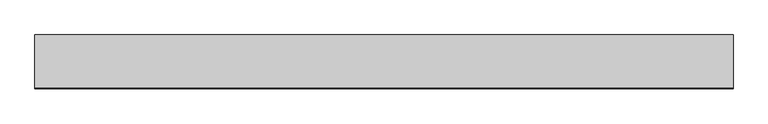
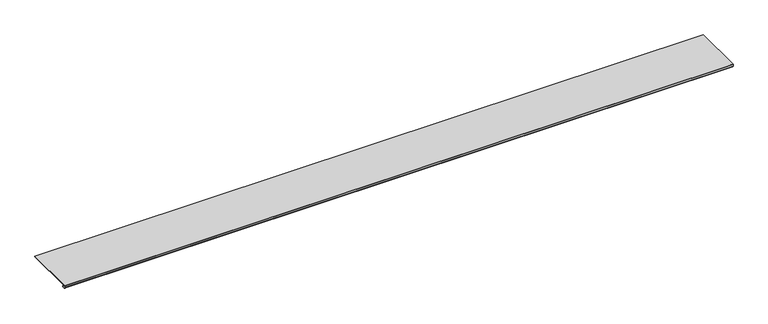
"""IFC4 building model written with IfcOpenShell, lengths in millimetres: proxy geometry."""

import ifcopenshell
import ifcopenshell.guid

model = None  # the IFC model being written
_history = None  # IfcOwnerHistory: only IFC2X3 demands one
_inside = {}  # id of a spatial element -> (the spatial element, [elements in it])
_under = {}  # id of a project, library or spatial element -> (it, [spatial elements below it])
_declared = {}  # id of a project -> (the project, [libraries it declares])
_typed = {}  # id of a type object -> (the type object, [elements of that type])
_made_of = {}  # id of a material, layer set ... -> (it, [elements and type objects made of it])


def new_model(schema):
    """Start an empty IFC model of exactly this schema.

    Asked for "IFC4X3", IfcOpenShell would pick the latest addendum, in which some entities
    have other attributes; the version numbers below select the first issue.
    IFC2X3 requires an IfcOwnerHistory on every rooted entity: one is made here for all.
    """
    global model, _history
    if schema == "IFC4X3":
        model = ifcopenshell.file(schema_version=(4, 3, 0, 0))
    else:
        model = ifcopenshell.file(schema=schema)
    _inside.clear()
    _under.clear()
    _declared.clear()
    _typed.clear()
    _made_of.clear()
    _history = None
    if model.schema == "IFC2X3":
        org = make("IfcOrganization", Name="unknown")
        user = make(
            "IfcPersonAndOrganization",
            ThePerson=make("IfcPerson", FamilyName="unknown"),
            TheOrganization=org,
        )
        app = make(
            "IfcApplication",
            ApplicationDeveloper=org,
            Version="unknown",
            ApplicationFullName="unknown",
            ApplicationIdentifier="unknown",
        )
        _history = make(
            "IfcOwnerHistory",
            OwningUser=user,
            OwningApplication=app,
            ChangeAction="ADDED",
            CreationDate=0,
        )
    return model


def make(cls, **values):
    """One entity of the class cls with the attributes given. An attribute that is None is left unset."""
    return model.create_entity(
        cls, **{name: value for name, value in values.items() if value is not None}
    )


def rooted(cls, **values):
    """An entity with a GlobalId (a new one), such as an element, a storey or a relation."""
    return make(cls, GlobalId=ifcopenshell.guid.new(), OwnerHistory=_history, **values)


def si_unit(unit_type, name, prefix=None):
    """IfcSIUnit, for example si_unit("LENGTHUNIT", "METRE", prefix="MILLI")."""
    return make("IfcSIUnit", UnitType=unit_type, Prefix=prefix, Name=name)


def assignment(units):
    """IfcUnitAssignment: the units of a project."""
    return None if units is None else make("IfcUnitAssignment", Units=units)


def point(xyz):
    """IfcCartesianPoint."""
    return None if xyz is None else make("IfcCartesianPoint", Coordinates=xyz)


def direction(xyz):
    """IfcDirection."""
    return None if xyz is None else make("IfcDirection", DirectionRatios=xyz)


def frame(location, z_axis=None, x_axis=None):
    """IfcAxis2Placement3D, a coordinate frame: its origin and axes. An axis left out is left unset."""
    return make(
        "IfcAxis2Placement3D",
        Location=point(location),
        Axis=direction(z_axis),
        RefDirection=direction(x_axis),
    )


def frame_2d(location, x_axis=None):
    """IfcAxis2Placement2D, a coordinate frame in the plane: its origin and x axis."""
    return make(
        "IfcAxis2Placement2D", Location=point(location), RefDirection=direction(x_axis)
    )


def origin():
    """The frame at (0, 0, 0) with its axes left unset."""
    return frame((0.0, 0.0, 0.0))


def place(relative_to, where):
    """IfcLocalPlacement: puts the frame where relative to a parent placement (None: the world)."""
    return make(
        "IfcLocalPlacement", PlacementRelTo=relative_to, RelativePlacement=where
    )


def context(
    kind, dimensions, precision=None, world=None, true_north=None, identifier=None
):
    """IfcGeometricRepresentationContext, for example the 3D "Model" context."""
    return make(
        "IfcGeometricRepresentationContext",
        ContextIdentifier=identifier,
        ContextType=kind,
        CoordinateSpaceDimension=dimensions,
        Precision=precision,
        WorldCoordinateSystem=world,
        TrueNorth=true_north,
    )


def project(units=None, contexts=None):
    """IfcProject with its units and contexts."""
    return rooted(
        "IfcProject",
        Name="project",
        RepresentationContexts=contexts,
        UnitsInContext=assignment(units),
    )


def spatial(cls, under=None, at=None, **own):
    """A site, building, storey or space (cls), placed at a placement, below another one or the project."""
    s = rooted(cls, ObjectPlacement=at, **own)
    if under is not None:
        _under.setdefault(under.id(), (under, []))[1].append(s)
    return s


def polyline(points):
    """IfcPolyline through the points."""
    return make("IfcPolyline", Points=[point(p) for p in points])


def circle_curve(where, radius):
    """IfcCircle in the frame where."""
    return make("IfcCircle", Position=where, Radius=radius)


def trimmed(basis, trim1, trim2, sense, master):
    """IfcTrimmedCurve: the piece of a basis curve between two trims."""
    return make(
        "IfcTrimmedCurve",
        BasisCurve=basis,
        Trim1=trim1,
        Trim2=trim2,
        SenseAgreement=sense,
        MasterRepresentation=master,
    )


def segment(curve, same_sense, transition):
    """IfcCompositeCurveSegment."""
    return make(
        "IfcCompositeCurveSegment",
        Transition=transition,
        SameSense=same_sense,
        ParentCurve=curve,
    )


def composite_curve(segments, self_intersect=None):
    """IfcCompositeCurve: segments joined end to end."""
    return make("IfcCompositeCurve", Segments=segments, SelfIntersect=self_intersect)


def outline(outer, holes=None, kind="AREA"):
    """IfcArbitraryClosedProfileDef: a profile drawn as a closed curve; with holes, ...WithVoids."""
    if holes is None:
        return make("IfcArbitraryClosedProfileDef", ProfileType=kind, OuterCurve=outer)
    return make(
        "IfcArbitraryProfileDefWithVoids",
        ProfileType=kind,
        OuterCurve=outer,
        InnerCurves=holes,
    )


def extrude(swept, where, along, depth):
    """IfcExtrudedAreaSolid: the profile swept, set in the frame where, extruded along a direction by depth."""
    return make(
        "IfcExtrudedAreaSolid",
        SweptArea=swept,
        Position=where,
        ExtrudedDirection=direction(along),
        Depth=depth,
    )


def shape(context_of_items, identifier, shape_type, items):
    """IfcShapeRepresentation: the items that make up one representation, for example the "Body"."""
    return make(
        "IfcShapeRepresentation",
        ContextOfItems=context_of_items,
        RepresentationIdentifier=identifier,
        RepresentationType=shape_type,
        Items=items,
    )


def source(mapping_origin, context_of_items, identifier, shape_type, items):
    """IfcRepresentationMap: a shape defined once, which mapped items show again and again."""
    return make(
        "IfcRepresentationMap",
        MappingOrigin=mapping_origin,
        MappedRepresentation=shape(context_of_items, identifier, shape_type, items),
    )


def transform(
    local_origin,
    x_axis=None,
    y_axis=None,
    z_axis=None,
    scale=None,
    scale2=None,
    scale3=None,
    uniform=True,
):
    """IfcCartesianTransformationOperator3D, or its non-uniform kind. x_axis, y_axis, z_axis: its Axis1, 2, 3."""
    if uniform:
        return make(
            "IfcCartesianTransformationOperator3D",
            Axis1=direction(x_axis),
            Axis2=direction(y_axis),
            LocalOrigin=point(local_origin),
            Scale=scale,
            Axis3=direction(z_axis),
        )
    return make(
        "IfcCartesianTransformationOperator3DnonUniform",
        Axis1=direction(x_axis),
        Axis2=direction(y_axis),
        LocalOrigin=point(local_origin),
        Scale=scale,
        Axis3=direction(z_axis),
        Scale2=scale2,
        Scale3=scale3,
    )


def mapped(mapping_source, mapping_target):
    """IfcMappedItem: shows the shape of a source again, moved by a transform."""
    return make(
        "IfcMappedItem", MappingSource=mapping_source, MappingTarget=mapping_target
    )


def made_of(thing, what):
    """Note that an element or type object is made of a material, layer set ...; save() writes the relation."""
    if what is not None:
        _made_of.setdefault(what.id(), (what, []))[1].append(thing)
    return thing


def element(
    cls,
    number,
    at=None,
    inside=None,
    cuts=None,
    type_object=None,
    material=None,
    context=None,
    identifier="Body",
    shape_type=None,
    held_by="IfcProductDefinitionShape",
    body=None,
    shapes=None,
    **own,
):
    """One element of the class cls, such as IfcWall. Its Tag is "e" and its number.

    at: its placement. inside: the storey or other place that contains it. cuts: it is an
    opening in that element (IfcRelVoidsElement). A single representation is given by context,
    identifier, shape_type and body (its items); several are given by shapes. held_by: the class
    of the entity that holds the representations. save() writes the other relations.
    """
    e = rooted(cls, Tag="e%d" % number, ObjectPlacement=at, **own)
    if body is not None:
        shapes = [shape(context, identifier, shape_type, body)]
    if shapes is not None:
        e.Representation = make(held_by, Representations=shapes)
    if inside is not None:
        _inside.setdefault(inside.id(), (inside, []))[1].append(e)
    if cuts is not None:
        rooted(
            "IfcRelVoidsElement", RelatingBuildingElement=cuts, RelatedOpeningElement=e
        )
    if type_object is not None:
        _typed.setdefault(type_object.id(), (type_object, []))[1].append(e)
    return made_of(e, material)


def aggregate(whole, parts):
    """IfcRelAggregates: a whole, such as a stair, and the parts it consists of."""
    return rooted("IfcRelAggregates", RelatingObject=whole, RelatedObjects=parts)


def save(model, path):
    """Write the relations noted so far, then the file.

    IfcRelAggregates (storeys below a building ...), IfcRelContainedInSpatialStructure (elements
    in a storey), IfcRelDefinesByType, IfcRelAssociatesMaterial and IfcRelDeclares: one each for
    every whole, place, type object, material and project.
    """
    for whole, parts in _under.values():
        aggregate(whole, parts)
    for where, things in _inside.values():
        rooted(
            "IfcRelContainedInSpatialStructure",
            RelatedElements=things,
            RelatingStructure=where,
        )
    for kind, things in _typed.values():
        rooted("IfcRelDefinesByType", RelatedObjects=things, RelatingType=kind)
    for what, things in _made_of.values():
        rooted("IfcRelAssociatesMaterial", RelatedObjects=things, RelatingMaterial=what)
    for by, libraries in _declared.values():
        rooted("IfcRelDeclares", RelatingContext=by, RelatedDefinitions=libraries)
    model.write(path)


def generic_models_9e98045a(model_context):
    return source(origin(), model_context, "Body", "SweptSolid", [
        extrude(outline(composite_curve([segment(polyline([(139.7, 13.2537076), (139.7, 11.6837076), (2.2248214, 11.6837076)]), True, "CONTINUOUS"), segment(trimmed(circle_curve(frame_2d((2.2248214, 11.0887076)), 0.595), [point((2.2248214, 11.6837076))], [point((2.2248214, 10.4937076))], True, "CARTESIAN"), True, "CONTINUOUS"), segment(polyline([(2.2248214, 10.4937076), (3.6558496, 10.4937076), (4.9451168, 9.4970429), (6.3249897, 9.4327708)]), True, "CONTINUOUS"), segment(trimmed(circle_curve(frame_2d((6.2187315, 7.151486)), 2.2837581), [point((6.3249897, 9.4327708))], [point((6.2187315, 4.8677279))], False, "CARTESIAN"), True, "CONTINUOUS"), segment(polyline([(6.2187315, 4.8677279), (2.2864187, 4.8677279)]), True, "CONTINUOUS"), segment(trimmed(circle_curve(frame_2d((2.2864187, 5.5318063)), 0.6640784), [point((2.2864187, 4.8677279))], [point((2.2365622, 6.1940104))], False, "CARTESIAN"), True, "CONTINUOUS"), segment(polyline([(2.2365622, 6.1940104), (4.5052255, 6.3177279), (6.0737133, 6.3177279)]), True, "CONTINUOUS"), segment(trimmed(circle_curve(frame_2d((6.0737133, 7.2927279)), 0.975), [point((6.0737133, 6.3177279))], [point((6.0737133, 8.2677279))], True, "CARTESIAN"), True, "CONTINUOUS"), segment(polyline([(6.0737133, 8.2677279), (4.8744927, 8.2677279), (3.9294566, 8.3107178)]), True, "CONTINUOUS"), segment(trimmed(circle_curve(frame_2d((2.4844378, 6.6596487)), 2.1941076), [point((3.9294566, 8.3107178))], [point((1.090066, 8.3537076))], True, "CARTESIAN"), True, "CONTINUOUS"), segment(polyline([(1.090066, 8.3537076), (0.0792777, 8.3537076), (-0.0001544, 13.2537076), (139.7, 13.2537076)]), True, "CONTINUOUS")], self_intersect=False)), frame((0.0, 0.0, 0.0), z_axis=(1.0, 0.0, 0.0), x_axis=(0.0, 1.0, 0.0)), (0.0, 0.0, 1.0), 1815.546),
    ])


if __name__ == "__main__":
    model = new_model("IFC4")
    model_context = context("Model", 3, world=origin())
    ifc_project = project(units=[si_unit("LENGTHUNIT", "METRE", prefix="MILLI")], contexts=[model_context])
    site = spatial("IfcSite", under=ifc_project)
    building = spatial("IfcBuilding", under=site)
    placement = place(None, origin())
    generic_models_shape = generic_models_9e98045a(model_context)
    element("IfcBuildingElementProxy", 1, Name="Generic Models", at=placement, inside=building, context=model_context, shape_type="MappedRepresentation", body=[
        mapped(generic_models_shape, transform((0.0, 0.0, 0.0), x_axis=(1.0, 0.0, 0.0), y_axis=(0.0, 1.0, 0.0), z_axis=(0.0, 0.0, 1.0))),
    ])
    save(model, "model.ifc")
